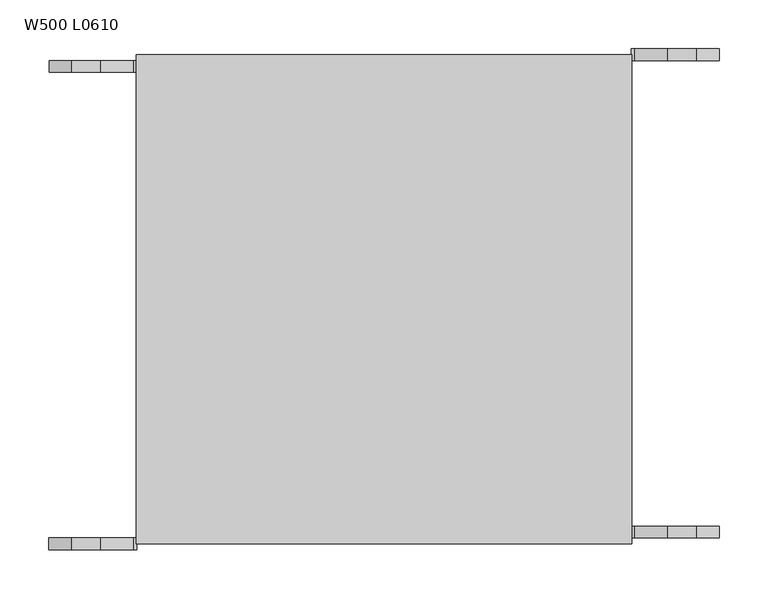
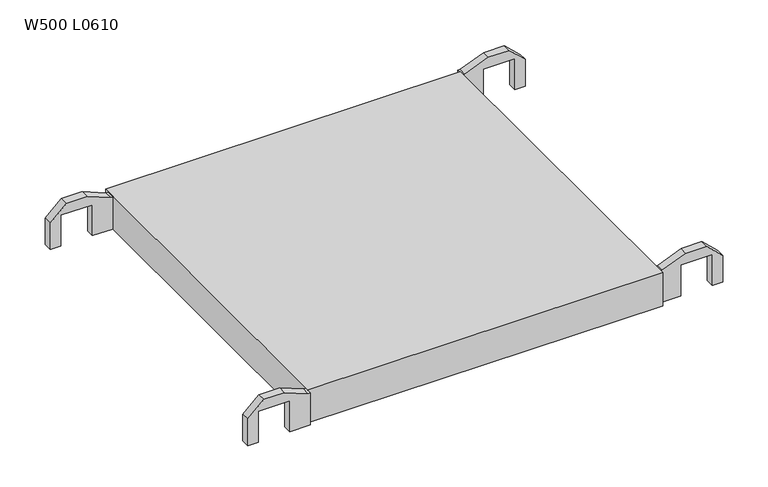
"""IFC4 building model written with IfcOpenShell, lengths in millimetres: proxy geometry, W500 L0610."""

from ifc_helpers import new_model, si_unit, frame, origin, place, context, project, spatial, polyline, outline, extrude, source, transform, mapped, element, save


def w500_l0610_2a947eba(model_context):
    return source(origin(), model_context, "Body", "SweptSolid", [
        extrude(outline(polyline([(24.1, 52.2699789), (24.1, 48.7699789), (37.5, 15.1641799), (37.5, -14.6242221), (16.179605, -37.2300211), (-24.1, -37.2300211), (-24.1, -22.2300211), (22.4243463, -22.2300211), (22.4243463, 22.7699789), (-24.1, 22.7699789), (-24.1, 52.2699789), (24.1, 52.2699789)])), frame((0.0, 488.0, 0.0), z_axis=(0.0, 1.0, 0.0), x_axis=(0.0, 0.0, 1.0)), (0.0, 0.0, 1.0), 12.0),
        extrude(outline(polyline([(24.1, 557.6474649), (-24.1, 557.6474649), (-24.1, 587.1474649), (22.4243463, 587.1474649), (22.4243463, 632.1474649), (-24.1, 632.1474649), (-24.1, 647.1474649), (16.179605, 647.1474649), (37.5, 624.5416659), (37.5, 594.7532639), (24.1, 561.1474649), (24.1, 557.6474649)])), frame((0.0, 500.0, 0.0), z_axis=(0.0, 1.0, 0.0), x_axis=(0.0, 0.0, 1.0)), (0.0, 0.0, 1.0), 12.0),
        extrude(outline(polyline([(24.1, 52.0825562), (24.1, 48.5825562), (37.5, 14.9767572), (37.5, -14.8116448), (16.179605, -37.4174438), (-24.1, -37.4174438), (-24.1, -22.4174438), (22.4243463, -22.4174438), (22.4243463, 22.5825562), (-24.1, 22.5825562), (-24.1, 52.0825562), (24.1, 52.0825562)])), frame((0.0, 0.0, 0.0), z_axis=(0.0, 1.0, 0.0), x_axis=(0.0, 0.0, 1.0)), (0.0, 0.0, 1.0), 12.0),
        extrude(outline(polyline([(24.1, 557.6474649), (-24.1, 557.6474649), (-24.1, 587.1474649), (22.4243463, 587.1474649), (22.4243463, 632.1474649), (-24.1, 632.1474649), (-24.1, 647.1474649), (16.179605, 647.1474649), (37.5, 624.5416659), (37.5, 594.7532639), (24.1, 561.1474649), (24.1, 557.6474649)])), frame((0.0, 12.0, 0.0), z_axis=(0.0, 1.0, 0.0), x_axis=(0.0, 0.0, 1.0)), (0.0, 0.0, 1.0), 12.0),
        extrude(outline(polyline([(52.0, 6.0), (52.0, 506.0), (558.0, 506.0), (558.0, 6.0), (52.0, 6.0)])), frame((0.0, 0.0, -25.0), z_axis=(0.0, 0.0, 1.0), x_axis=(1.0, 0.0, 0.0)), (0.0, 0.0, 1.0), 50.0),
    ])


if __name__ == "__main__":
    model = new_model("IFC4")
    model_context = context("Model", 3, world=origin())
    ifc_project = project(units=[si_unit("LENGTHUNIT", "METRE", prefix="MILLI")], contexts=[model_context])
    site = spatial("IfcSite", under=ifc_project)
    building = spatial("IfcBuilding", under=site)
    placement = place(None, origin())
    w500_l0610_shape = w500_l0610_2a947eba(model_context)
    element("IfcBuildingElementProxy", 1, Name="W500 L0610", ObjectType="W500 L0610", at=placement, inside=building, context=model_context, shape_type="MappedRepresentation", body=[
        mapped(w500_l0610_shape, transform((0.0, 0.0, 0.0), x_axis=(1.0, 0.0, 0.0), y_axis=(0.0, 1.0, 0.0), z_axis=(0.0, 0.0, 1.0))),
    ])
    save(model, "model.ifc")
